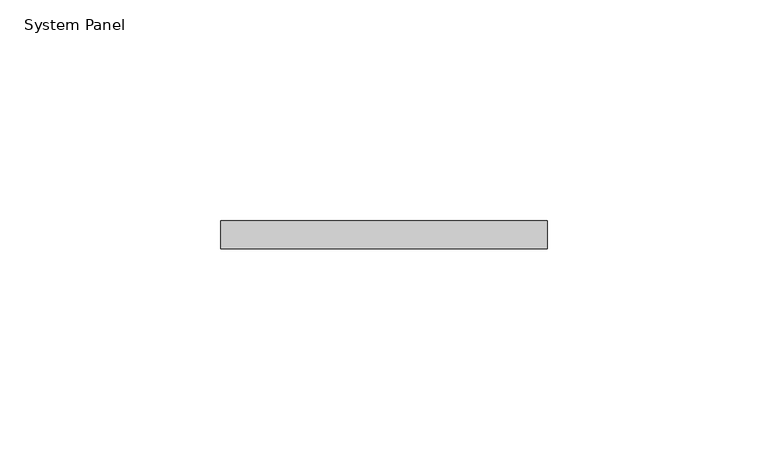
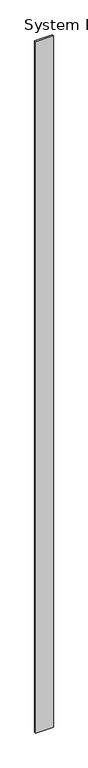
"""IFC4 building model written with IfcOpenShell, lengths in millimetres: plate geometry, System Panel."""

from ifc_helpers import new_model, si_unit, origin, origin_with_axes, place, context, project, spatial, polyline, outline, extrude, source, transform, mapped, element, save


def system_panel_0e1cfd99(model_context):
    return source(origin(), model_context, "Body", "SweptSolid", [
        extrude(outline(polyline([(36.9574369, -6.35), (-36.9574369, -6.35), (-36.9574369, 0.0), (36.9574369, 0.0), (36.9574369, -6.35)])), origin_with_axes(), (0.0, 0.0, 1.0), 3048.0),
    ])


if __name__ == "__main__":
    model = new_model("IFC4")
    model_context = context("Model", 3, world=origin())
    ifc_project = project(units=[si_unit("LENGTHUNIT", "METRE", prefix="MILLI")], contexts=[model_context])
    site = spatial("IfcSite", under=ifc_project)
    building = spatial("IfcBuilding", under=site)
    placement = place(None, origin())
    system_panel_shape = system_panel_0e1cfd99(model_context)
    element("IfcPlate", 1, ObjectType="System Panel", at=placement, inside=building, context=model_context, shape_type="MappedRepresentation", body=[
        mapped(system_panel_shape, transform((0.0, 0.0, 0.0), x_axis=(1.0, 0.0, 0.0), y_axis=(0.0, 1.0, 0.0), z_axis=(0.0, 0.0, 1.0))),
    ])
    save(model, "model.ifc")
